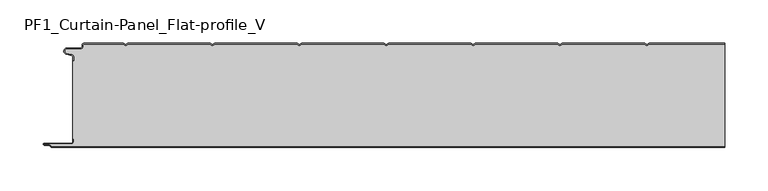
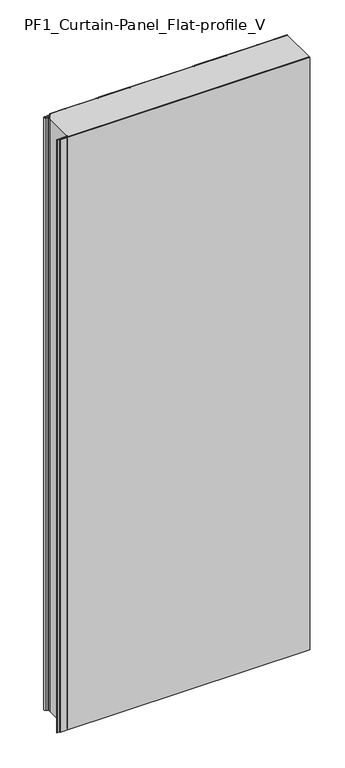
"""IFC4 building model written with IfcOpenShell, lengths in millimetres: plate geometry, PF1_Curtain-Panel_Flat-profile_V."""

from ifc_helpers import new_model, si_unit, point, frame_2d, origin, origin_with_axes, place, context, project, spatial, polyline, circle_curve, trimmed, segment, composite_curve, outline, extrude, source, transform, mapped, element, save


def pf1_curtain_panel_flat_profile_v_557ab8df(model_context):
    return source(origin(), model_context, "Body", "SweptSolid", [
        extrude(outline(composite_curve([segment(trimmed(circle_curve(frame_2d((-377.0119739, -15.878557)), 2.0), [point((-375.0119739, -15.878557))], [point((-376.5620718, -13.9298169))], True, "CARTESIAN"), True, "CONTINUOUS"), segment(polyline([(-376.5620718, -13.9298169), (-382.7217978, -12.507732)]), True, "CONTINUOUS"), segment(trimmed(circle_curve(frame_2d((-381.9119739, -9.0)), 3.6), [point((-382.7217978, -12.507732))], [point((-381.9119739, -5.4))], False, "CARTESIAN"), True, "CONTINUOUS"), segment(polyline([(-381.9119739, -5.4), (-366.4119739, -5.4)]), True, "CONTINUOUS"), segment(trimmed(circle_curve(frame_2d((-366.4119739, -3.4)), 2.0), [point((-366.4119739, -5.4))], [point((-364.4119739, -3.4))], True, "CARTESIAN"), True, "CONTINUOUS"), segment(polyline([(-364.4119739, -3.4), (-364.4119739, -2.0)]), True, "CONTINUOUS"), segment(trimmed(circle_curve(frame_2d((-362.4119739, -2.0)), 2.0), [point((-364.4119739, -2.0))], [point((-362.4119739, 0.0))], False, "CARTESIAN"), True, "CONTINUOUS"), segment(polyline([(-362.4119739, 0.0), (-317.1119734, 0.0), (-314.4119739, -1.5588455), (-311.7119745, 0.0), (-217.1119734, 0.0), (-214.4119739, -1.5588455), (-211.7119745, 0.0), (-117.1119734, 0.0), (-114.4119739, -1.5588455), (-111.7119745, 0.0), (-17.1119734, 0.0), (-14.4119739, -1.5588455), (-11.7119745, 0.0), (82.8880266, 0.0), (85.5880261, -1.5588455), (88.2880255, 0.0), (182.8880266, 0.0), (185.5880261, -1.5588455), (188.2880255, 0.0), (282.8880266, 0.0), (285.5880261, -1.5588455), (288.2880255, 0.0), (375.0119739, 0.0), (375.0119739, -0.8), (288.5023849, -0.8), (285.5880261, -2.482606), (282.6736672, -0.8), (188.5023849, -0.8), (185.5880261, -2.482606), (182.6736672, -0.8), (88.5023849, -0.8), (85.5880261, -2.482606), (82.6736672, -0.8), (-11.4976151, -0.8), (-14.4119739, -2.482606), (-17.3263328, -0.8), (-111.4976151, -0.8), (-114.4119739, -2.482606), (-117.3263328, -0.8), (-211.4976151, -0.8), (-214.4119739, -2.482606), (-217.3263328, -0.8), (-311.4976151, -0.8), (-314.4119739, -2.482606), (-317.3263328, -0.8), (-362.4119739, -0.8)]), True, "CONTINUOUS"), segment(trimmed(circle_curve(frame_2d((-362.4119739, -2.0)), 1.2), [point((-362.4119739, -0.8))], [point((-363.6119739, -2.0))], True, "CARTESIAN"), True, "CONTINUOUS"), segment(polyline([(-363.6119739, -2.0), (-363.6119739, -3.4)]), True, "CONTINUOUS"), segment(trimmed(circle_curve(frame_2d((-366.4119739, -3.4)), 2.8), [point((-363.6119739, -3.4))], [point((-366.4119739, -6.2))], False, "CARTESIAN"), True, "CONTINUOUS"), segment(polyline([(-366.4119739, -6.2), (-381.9119739, -6.2)]), True, "CONTINUOUS"), segment(trimmed(circle_curve(frame_2d((-381.9119739, -9.0)), 2.8), [point((-381.9119739, -6.2))], [point((-382.541837, -11.7282362))], True, "CARTESIAN"), True, "CONTINUOUS"), segment(polyline([(-382.541837, -11.7282362), (-376.3821109, -13.150321)]), True, "CONTINUOUS"), segment(trimmed(circle_curve(frame_2d((-377.0119739, -15.878557)), 2.8), [point((-376.3821109, -13.150321))], [point((-374.2119739, -15.878557))], False, "CARTESIAN"), True, "CONTINUOUS"), segment(polyline([(-374.2119739, -15.878557), (-374.2119739, -20.0), (-375.0119739, -20.0), (-375.0119739, -15.878557)]), True, "CONTINUOUS")], self_intersect=False)), origin_with_axes(), (0.0, 0.0, 1.0), 1945.7507136),
        extrude(outline(composite_curve([segment(polyline([(-374.2119739, -110.0), (-375.0119739, -110.0), (-375.0119739, -20.0), (-374.2119739, -20.0), (-374.2119739, -15.878557)]), True, "CONTINUOUS"), segment(trimmed(circle_curve(frame_2d((-377.0119739, -15.878557)), 2.8), [point((-374.2119739, -15.878557))], [point((-376.3821109, -13.1503208))], True, "CARTESIAN"), True, "CONTINUOUS"), segment(polyline([(-376.3821109, -13.1503208), (-382.5418369, -11.7282362)]), True, "CONTINUOUS"), segment(trimmed(circle_curve(frame_2d((-381.9119739, -9.0)), 2.8), [point((-382.5418369, -11.7282362))], [point((-381.9119739, -6.2))], False, "CARTESIAN"), True, "CONTINUOUS"), segment(polyline([(-381.9119739, -6.2), (-366.4119739, -6.2)]), True, "CONTINUOUS"), segment(trimmed(circle_curve(frame_2d((-366.4119739, -3.4)), 2.8), [point((-366.4119739, -6.2))], [point((-363.6119739, -3.4))], True, "CARTESIAN"), True, "CONTINUOUS"), segment(polyline([(-363.6119739, -3.4), (-363.6119739, -2.0)]), True, "CONTINUOUS"), segment(trimmed(circle_curve(frame_2d((-362.4119739, -2.0)), 1.2), [point((-363.6119739, -2.0))], [point((-362.4119739, -0.8))], False, "CARTESIAN"), True, "CONTINUOUS"), segment(polyline([(-362.4119739, -0.8), (-317.3263328, -0.8), (-314.4119739, -2.482606), (-311.4976151, -0.8), (-217.3263328, -0.8), (-214.4119739, -2.482606), (-211.4976151, -0.8), (-117.3263328, -0.8), (-114.4119739, -2.482606), (-111.4976151, -0.8), (-17.3263328, -0.8), (-14.4119739, -2.482606), (-11.4976151, -0.8), (82.6736672, -0.8), (85.5880261, -2.482606), (88.5023849, -0.8), (182.6736672, -0.8), (185.5880261, -2.482606), (188.5023849, -0.8), (282.6736672, -0.8), (285.5880261, -2.482606), (288.5023849, -0.8), (375.0119739, -0.8), (375.0119739, -119.2), (-399.4119739, -119.2)]), True, "CONTINUOUS"), segment(trimmed(circle_curve(frame_2d((-399.4119739, -118.4)), 0.8), [point((-399.4119739, -119.2))], [point((-400.2119739, -118.4))], False, "CARTESIAN"), True, "CONTINUOUS"), segment(trimmed(circle_curve(frame_2d((-401.9119739, -118.6133333)), 1.7133333), [point((-400.2119739, -118.4))], [point((-401.9119739, -116.9))], True, "CARTESIAN"), True, "CONTINUOUS"), segment(polyline([(-401.9119739, -116.9), (-407.8820051, -116.9)]), True, "CONTINUOUS"), segment(trimmed(circle_curve(frame_2d((-407.8820051, -116.6)), 0.3), [point((-407.8820051, -116.9))], [point((-407.8820051, -116.3))], False, "CARTESIAN"), True, "CONTINUOUS"), segment(polyline([(-407.8820051, -116.3), (-377.0119739, -116.3)]), True, "CONTINUOUS"), segment(trimmed(circle_curve(frame_2d((-377.0119739, -113.5)), 2.8), [point((-377.0119739, -116.3))], [point((-374.2119739, -113.5))], True, "CARTESIAN"), True, "CONTINUOUS"), segment(polyline([(-374.2119739, -113.5), (-374.2119739, -110.0)]), True, "CONTINUOUS")], self_intersect=False)), origin_with_axes(), (0.0, 0.0, 1.0), 1945.7507136),
        extrude(outline(composite_curve([segment(polyline([(-375.0119739, -110.0), (-374.2119739, -110.0), (-374.2119739, -113.5)]), True, "CONTINUOUS"), segment(trimmed(circle_curve(frame_2d((-377.0119739, -113.5)), 2.8), [point((-374.2119739, -113.5))], [point((-377.0119739, -116.3))], False, "CARTESIAN"), True, "CONTINUOUS"), segment(polyline([(-377.0119739, -116.3), (-407.8820051, -116.3)]), True, "CONTINUOUS"), segment(trimmed(circle_curve(frame_2d((-407.8820051, -116.6)), 0.3), [point((-407.8820051, -116.3))], [point((-407.8820051, -116.9))], True, "CARTESIAN"), True, "CONTINUOUS"), segment(polyline([(-407.8820051, -116.9), (-401.9119739, -116.9)]), True, "CONTINUOUS"), segment(trimmed(circle_curve(frame_2d((-401.9119739, -118.6133333)), 1.7133333), [point((-401.9119739, -116.9))], [point((-400.2119739, -118.4))], False, "CARTESIAN"), True, "CONTINUOUS"), segment(trimmed(circle_curve(frame_2d((-399.4119739, -118.4)), 0.8), [point((-400.2119739, -118.4))], [point((-399.4119739, -119.2))], True, "CARTESIAN"), True, "CONTINUOUS"), segment(polyline([(-399.4119739, -119.2), (375.0119739, -119.2), (375.0119739, -120.0), (-399.4119739, -120.0)]), True, "CONTINUOUS"), segment(trimmed(circle_curve(frame_2d((-399.4119739, -118.4)), 1.6), [point((-399.4119739, -120.0))], [point((-401.0119739, -118.4))], False, "CARTESIAN"), True, "CONTINUOUS"), segment(trimmed(circle_curve(frame_2d((-401.9119739, -118.4)), 0.9), [point((-401.0119739, -118.4))], [point((-401.9119739, -117.5))], True, "CARTESIAN"), True, "CONTINUOUS"), segment(polyline([(-401.9119739, -117.5), (-408.0119739, -117.5)]), True, "CONTINUOUS"), segment(trimmed(circle_curve(frame_2d((-408.0119739, -116.5)), 1.0), [point((-408.0119739, -117.5))], [point((-408.0119739, -115.5))], False, "CARTESIAN"), True, "CONTINUOUS"), segment(polyline([(-408.0119739, -115.5), (-377.0119739, -115.5)]), True, "CONTINUOUS"), segment(trimmed(circle_curve(frame_2d((-377.0119739, -113.5)), 2.0), [point((-377.0119739, -115.5))], [point((-375.0119739, -113.5))], True, "CARTESIAN"), True, "CONTINUOUS"), segment(polyline([(-375.0119739, -113.5), (-375.0119739, -110.0)]), True, "CONTINUOUS")], self_intersect=False)), origin_with_axes(), (0.0, 0.0, 1.0), 1945.7507136),
    ])


if __name__ == "__main__":
    model = new_model("IFC4")
    model_context = context("Model", 3, world=origin())
    ifc_project = project(units=[si_unit("LENGTHUNIT", "METRE", prefix="MILLI")], contexts=[model_context])
    site = spatial("IfcSite", under=ifc_project)
    building = spatial("IfcBuilding", under=site)
    placement = place(None, origin())
    pf1_curtain_panel_flat_profile_v_shape = pf1_curtain_panel_flat_profile_v_557ab8df(model_context)
    element("IfcPlate", 1, ObjectType="PF1_Curtain-Panel_Flat-profile_V", at=placement, inside=building, context=model_context, shape_type="MappedRepresentation", body=[
        mapped(pf1_curtain_panel_flat_profile_v_shape, transform((0.0, 0.0, 0.0), x_axis=(1.0, 0.0, 0.0), y_axis=(0.0, 1.0, 0.0), z_axis=(0.0, 0.0, 1.0))),
    ])
    save(model, "model.ifc")
